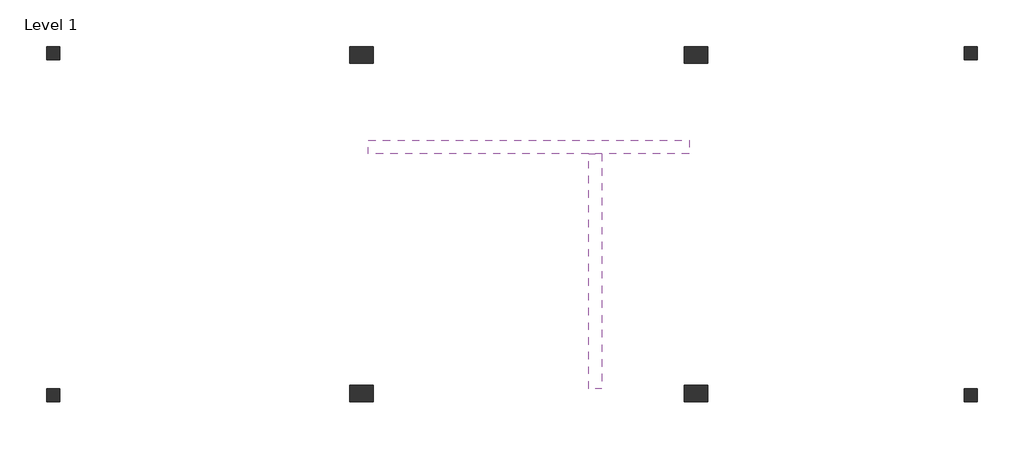
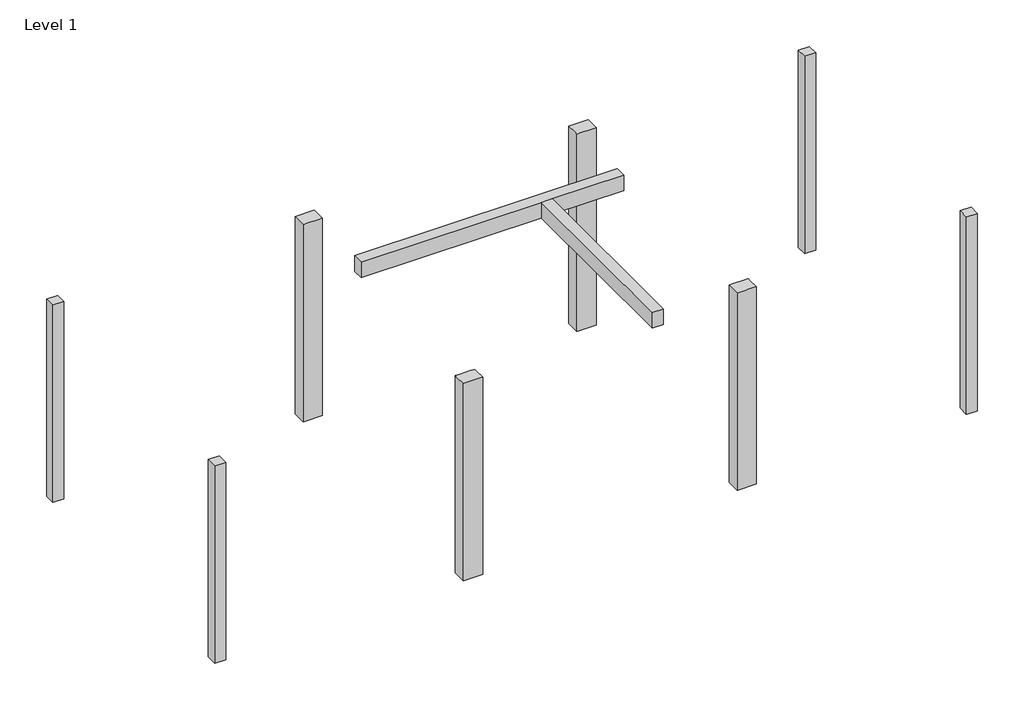
# One storey: 8 columns, 2 beams.
"""IFC4 building model written with IfcOpenShell, lengths in millimetres."""

from ifc_helpers import new_model, si_unit, origin, origin_with_axes, place, context, project, spatial, polyline, outline, extrude, faceted_brep, element, save

model = new_model("IFC4")

# Units and contexts
model_context = context("Model", 3, world=origin())
ifc_project = project(units=[si_unit("LENGTHUNIT", "METRE", prefix="MILLI")], contexts=[model_context])

# Site, building, storey
site = spatial("IfcSite", under=ifc_project)
building = spatial("IfcBuilding", under=site)
storey = spatial("IfcBuildingStorey", under=building, Name="Level 1", Elevation=0.0)

# Beams
placement = place(None, origin())
element("IfcBeam", 1, ObjectType="200x300", at=placement, inside=storey, context=model_context, shape_type="Brep", body=[
    faceted_brep([(-6151.8328064, 1922.2386726, 3800.0), (-6151.8328064, 1722.2386726, 3800.0), (-2869.5898832, 1722.2386726, 3800.0), (-2669.5898832, 1722.2386726, 3800.0), (-1369.5898832, 1722.2386726, 3800.0), (-1369.5898832, 1922.2386726, 3800.0), (-6151.8328064, 1722.2386726, 3700.0), (-6151.8328064, 1722.2386726, 3500.0), (-2869.5898832, 1722.2386726, 3500.0), (-2669.5898832, 1722.2386726, 3500.0), (-1369.5898832, 1722.2386726, 3500.0), (-1369.5898832, 1722.2386726, 3700.0), (-6151.8328064, 1922.2386726, 3500.0), (-1369.5898832, 1922.2386726, 3500.0), (-6151.8328064, 1922.2386726, 3700.0), (-1369.5898832, 1922.2386726, 3700.0)], [[[0, 1, 2, 3, 4, 5]], [[1, 6, 7, 8, 9, 10, 11, 4, 3, 2]], [[7, 12, 13, 10, 9, 8]], [[12, 14, 0, 5, 15, 13]], [[1, 0, 14, 12, 7, 6]], [[5, 4, 11, 10, 13, 15]]]),
])
element("IfcBeam", 2, ObjectType="200x300", at=placement, inside=storey, context=model_context, shape_type="Brep", body=[
    faceted_brep([(-2669.5898832, -1777.7613274, 3800.0), (-2869.5898832, -1777.7613274, 3800.0), (-2869.5898832, -1777.7613274, 3700.0), (-2869.5898832, -1777.7613274, 3500.0), (-2669.5898832, -1777.7613274, 3500.0), (-2669.5898832, -1777.7613274, 3700.0), (-2669.5898832, 1722.2386726, 3800.0), (-2869.5898832, 1722.2386726, 3800.0), (-2869.5898832, 1722.2386726, 3700.0), (-2869.5898832, 1722.2386726, 3500.0), (-2669.5898832, 1722.2386726, 3500.0), (-2669.5898832, 1722.2386726, 3700.0)], [[[0, 1, 2, 3, 4, 5]], [[1, 0, 6, 7]], [[3, 2, 1, 7, 8, 9]], [[4, 3, 9, 10]], [[0, 5, 4, 10, 11, 6]], [[7, 6, 11, 10, 9, 8]]]),
])

# Columns
element("IfcColumn", 3, ObjectType="C", at=placement, inside=storey, context=model_context, shape_type="SweptSolid", body=[
    extrude(outline(polyline([(-10751.8328064, 3322.2386726), (-10751.8328064, 3122.2386726), (-10951.8328064, 3122.2386726), (-10951.8328064, 3322.2386726), (-10751.8328064, 3322.2386726)])), origin_with_axes(), (0.0, 0.0, 1.0), 3800.0),
])
element("IfcColumn", 4, ObjectType="C", at=placement, inside=storey, context=model_context, shape_type="SweptSolid", body=[
    extrude(outline(polyline([(-10951.8328064, -1777.7613274), (-10751.8328064, -1777.7613274), (-10751.8328064, -1977.7613274), (-10951.8328064, -1977.7613274), (-10951.8328064, -1777.7613274)])), origin_with_axes(), (0.0, 0.0, 1.0), 3800.0),
])
element("IfcColumn", 5, ObjectType="C", at=placement, inside=storey, context=model_context, shape_type="SweptSolid", body=[
    extrude(outline(polyline([(2730.4101168, -1977.7613274), (2730.4101168, -1777.7613274), (2930.4101168, -1777.7613274), (2930.4101168, -1977.7613274), (2730.4101168, -1977.7613274)])), origin_with_axes(), (0.0, 0.0, 1.0), 3800.0),
])
element("IfcColumn", 6, ObjectType="C", at=placement, inside=storey, context=model_context, shape_type="SweptSolid", body=[
    extrude(outline(polyline([(2930.4101168, 3122.2386726), (2730.4101168, 3122.2386726), (2730.4101168, 3322.2386726), (2930.4101168, 3322.2386726), (2930.4101168, 3122.2386726)])), origin_with_axes(), (0.0, 0.0, 1.0), 3800.0),
])
element("IfcColumn", 7, ObjectType="C", at=placement, inside=storey, context=model_context, shape_type="Brep", body=[
    faceted_brep([(-1444.5898832, -1727.7613274, 0.0), (-1094.5898832, -1727.7613274, 0.0), (-1094.5898832, -1977.7613274, 0.0), (-1444.5898832, -1977.7613274, 0.0), (-1444.5898832, -1727.7613274, 3800.0), (-1369.5898832, -1727.7613274, 3800.0), (-1169.5898832, -1727.7613274, 3800.0), (-1094.5898832, -1727.7613274, 3800.0), (-1094.5898832, -1727.7613274, 3700.0), (-1444.5898832, -1727.7613274, 3700.0), (-1094.5898832, -1777.7613274, 3800.0), (-1094.5898832, -1977.7613274, 3800.0), (-1094.5898832, -1977.7613274, 3450.0), (-1444.5898832, -1977.7613274, 3800.0), (-1444.5898832, -1977.7613274, 3450.0), (-1444.5898832, -1777.7613274, 3800.0)], [[[0, 1, 2, 3]], [[4, 5, 6, 7, 8, 1, 0, 9]], [[7, 10, 11, 12, 2, 1, 8]], [[11, 13, 14, 3, 2, 12]], [[13, 15, 4, 9, 0, 3, 14]], [[4, 15, 13, 11, 10, 7, 6, 5]]]),
])
element("IfcColumn", 8, ObjectType="C", at=placement, inside=storey, context=model_context, shape_type="Brep", body=[
    faceted_brep([(-6426.8328064, -1727.7613274, 0.0), (-6076.8328064, -1727.7613274, 0.0), (-6076.8328064, -1977.7613274, 0.0), (-6426.8328064, -1977.7613274, 0.0), (-6426.8328064, -1727.7613274, 3800.0), (-6351.8328064, -1727.7613274, 3800.0), (-6151.8328064, -1727.7613274, 3800.0), (-6076.8328064, -1727.7613274, 3800.0), (-6076.8328064, -1727.7613274, 3700.0), (-6426.8328064, -1727.7613274, 3700.0), (-6076.8328064, -1777.7613274, 3800.0), (-6076.8328064, -1977.7613274, 3800.0), (-6076.8328064, -1977.7613274, 3450.0), (-6426.8328064, -1977.7613274, 3800.0), (-6426.8328064, -1977.7613274, 3450.0), (-6426.8328064, -1777.7613274, 3800.0)], [[[0, 1, 2, 3]], [[4, 5, 6, 7, 8, 1, 0, 9]], [[7, 10, 11, 12, 2, 1, 8]], [[11, 13, 14, 3, 2, 12]], [[13, 15, 4, 9, 0, 3, 14]], [[4, 15, 13, 11, 10, 7, 6, 5]]]),
])
element("IfcColumn", 9, ObjectType="C", at=placement, inside=storey, context=model_context, shape_type="Brep", body=[
    faceted_brep([(-6076.8328064, 3072.2386726, 0.0), (-6426.8328064, 3072.2386726, 0.0), (-6426.8328064, 3322.2386726, 0.0), (-6076.8328064, 3322.2386726, 0.0), (-6076.8328064, 3072.2386726, 3800.0), (-6151.8328064, 3072.2386726, 3800.0), (-6351.8328064, 3072.2386726, 3800.0), (-6426.8328064, 3072.2386726, 3800.0), (-6426.8328064, 3072.2386726, 3700.0), (-6076.8328064, 3072.2386726, 3700.0), (-6426.8328064, 3122.2386726, 3800.0), (-6426.8328064, 3322.2386726, 3800.0), (-6426.8328064, 3322.2386726, 3450.0), (-6076.8328064, 3322.2386726, 3800.0), (-6076.8328064, 3322.2386726, 3450.0), (-6076.8328064, 3122.2386726, 3800.0)], [[[0, 1, 2, 3]], [[4, 5, 6, 7, 8, 1, 0, 9]], [[7, 10, 11, 12, 2, 1, 8]], [[11, 13, 14, 3, 2, 12]], [[13, 15, 4, 9, 0, 3, 14]], [[4, 15, 13, 11, 10, 7, 6, 5]]]),
])
element("IfcColumn", 10, ObjectType="C", at=placement, inside=storey, context=model_context, shape_type="Brep", body=[
    faceted_brep([(-1094.5898832, 3072.2386726, 0.0), (-1444.5898832, 3072.2386726, 0.0), (-1444.5898832, 3322.2386726, 0.0), (-1094.5898832, 3322.2386726, 0.0), (-1094.5898832, 3072.2386726, 3800.0), (-1169.5898832, 3072.2386726, 3800.0), (-1369.5898832, 3072.2386726, 3800.0), (-1444.5898832, 3072.2386726, 3800.0), (-1444.5898832, 3072.2386726, 3700.0), (-1094.5898832, 3072.2386726, 3700.0), (-1444.5898832, 3122.2386726, 3800.0), (-1444.5898832, 3322.2386726, 3800.0), (-1444.5898832, 3322.2386726, 3450.0), (-1094.5898832, 3322.2386726, 3800.0), (-1094.5898832, 3322.2386726, 3450.0), (-1094.5898832, 3122.2386726, 3800.0)], [[[0, 1, 2, 3]], [[4, 5, 6, 7, 8, 1, 0, 9]], [[7, 10, 11, 12, 2, 1, 8]], [[11, 13, 14, 3, 2, 12]], [[13, 15, 4, 9, 0, 3, 14]], [[4, 15, 13, 11, 10, 7, 6, 5]]]),
])

save(model, "model.ifc")
